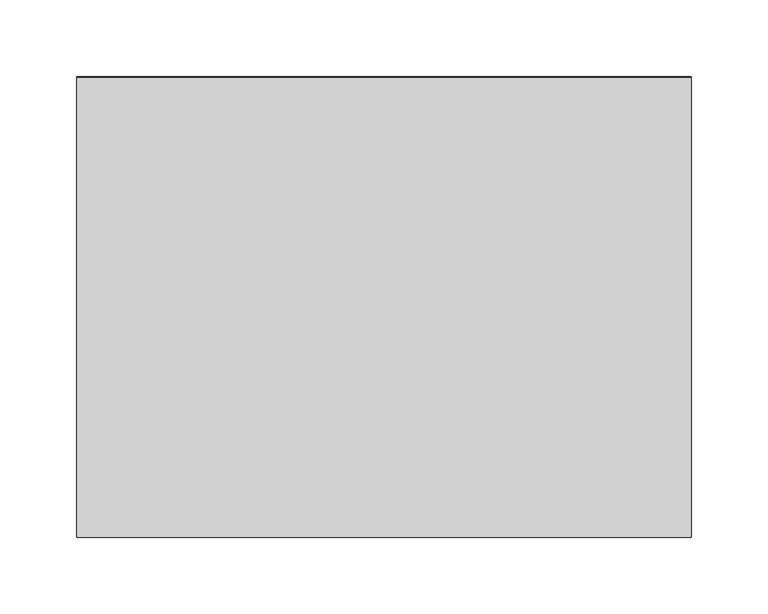
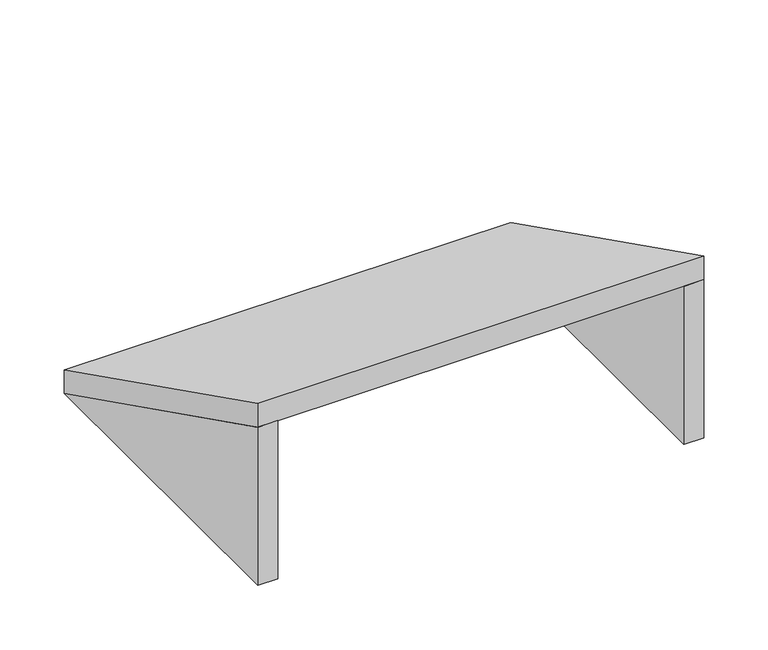
"""IFC4 building model written with IfcOpenShell, lengths in millimetres: furniture geometry."""

from ifc_helpers import new_model, si_unit, frame, origin, place, context, project, spatial, polyline, outline, extrude, source, transform, mapped, element, save


def furniture_d5f8143d(model_context):
    return source(origin(), model_context, "Body", "SweptSolid", [
        extrude(outline(polyline([(0.4, 2250.0), (300.4, 2100.0), (0.4, 2100.0), (0.4, 2250.0)])), frame((507.0, 0.0, 0.0), z_axis=(1.0, 0.0, 0.0), x_axis=(0.0, 1.0, 0.0)), (0.0, 0.0, 1.0), 18.0),
        extrude(outline(polyline([(0.4, 2250.0), (300.4, 2100.0), (0.4, 2100.0), (0.4, 2250.0)])), frame((125.0, 0.0, 0.0), z_axis=(1.0, 0.0, 0.0), x_axis=(0.0, 1.0, 0.0)), (0.0, 0.0, 1.0), 18.0),
        extrude(outline(polyline([(0.4, 2272.3606798), (300.2857517, 2122.4178039), (300.4, 2100.0), (0.4, 2250.0), (0.4, 2272.3606798)])), frame((125.0, 0.0, 0.0), z_axis=(1.0, 0.0, 0.0), x_axis=(0.0, 1.0, 0.0)), (0.0, 0.0, 1.0), 400.0),
    ])


if __name__ == "__main__":
    model = new_model("IFC4")
    model_context = context("Model", 3, world=origin())
    ifc_project = project(units=[si_unit("LENGTHUNIT", "METRE", prefix="MILLI")], contexts=[model_context])
    site = spatial("IfcSite", under=ifc_project)
    building = spatial("IfcBuilding", under=site)
    placement = place(None, origin())
    furniture_shape = furniture_d5f8143d(model_context)
    element("IfcFurniture", 1, at=placement, inside=building, context=model_context, shape_type="MappedRepresentation", body=[
        mapped(furniture_shape, transform((0.0, 0.0, 0.0), x_axis=(1.0, 0.0, 0.0), y_axis=(0.0, 1.0, 0.0), z_axis=(0.0, 0.0, 1.0))),
    ])
    save(model, "model.ifc")
